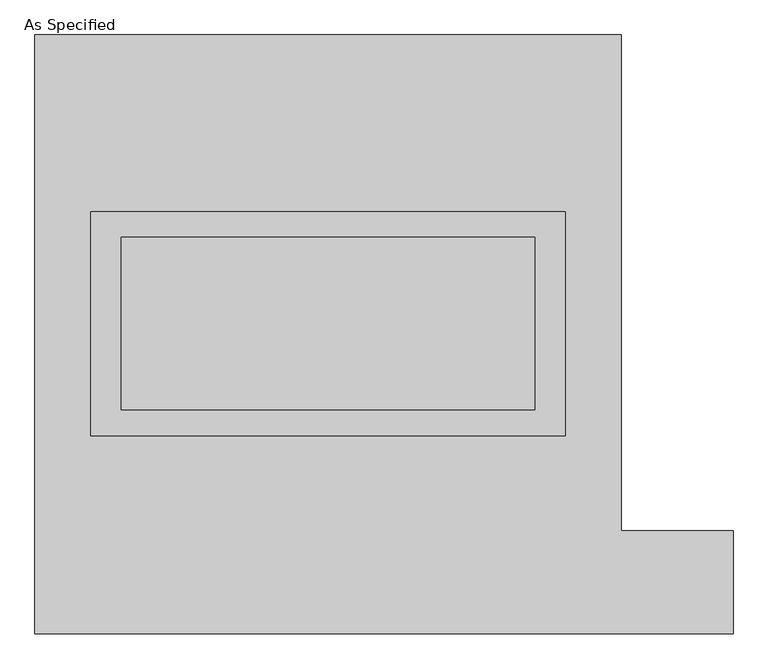
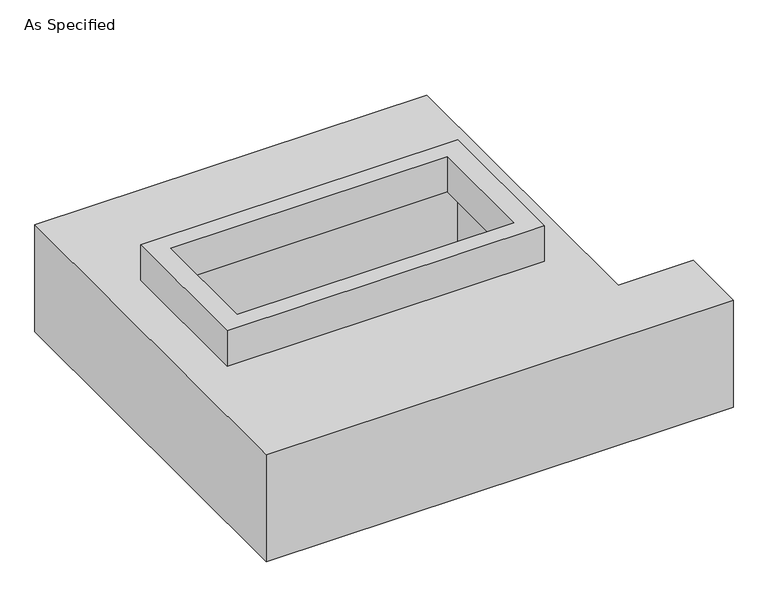
"""IFC4 building model written with IfcOpenShell, lengths in millimetres: proxy geometry, As Specified."""

from ifc_helpers import new_model, si_unit, frame, origin, place, context, project, spatial, polyline, outline, extrude, faceted_brep, source, transform, mapped, element, save


def as_specified_32f3673d(model_context):
    return source(origin(), model_context, "Body", "SolidModel", [
        extrude(outline(polyline([(698.5, 361.95), (698.5, -298.45), (-698.5, -298.45), (-698.5, 361.95), (698.5, 361.95)]), holes=[polyline([(609.6, 285.75), (-609.6, 285.75), (-609.6, -222.25), (609.6, -222.25), (609.6, 285.75)])]), frame((0.0, 0.0, -25.4), z_axis=(0.0, 0.0, 1.0), x_axis=(1.0, 0.0, 0.0)), (0.0, 0.0, 1.0), 165.1),
        faceted_brep([(-863.6, 882.65, -523.875), (863.6, 882.65, -523.875), (863.6, -577.85, -523.875), (1193.8, -577.85, -523.875), (1193.8, -882.65, -523.875), (-863.6, -882.65, -523.875), (863.6, 882.65, -25.4), (-863.6, 882.65, -25.4), (-863.6, -882.65, -25.4), (1193.8, -882.65, -25.4), (1193.8, -577.85, -25.4), (863.6, -577.85, -25.4), (-698.5, -298.45, -25.4), (-698.5, 361.95, -25.4), (698.5, 361.95, -25.4), (698.5, -298.45, -25.4), (698.5, 361.95, -498.475), (-698.5, 361.95, -498.475), (-698.5, -298.45, -498.475), (698.5, -298.45, -498.475)], [[[0, 1, 2, 3, 4, 5]], [[6, 7, 8, 9, 10, 11], [12, 13, 14, 15]], [[1, 0, 7, 6]], [[7, 0, 5, 8]], [[1, 6, 11, 2]], [[16, 17, 18, 19]], [[18, 17, 13, 12]], [[17, 16, 14, 13]], [[16, 19, 15, 14]], [[19, 18, 12, 15]], [[5, 4, 9, 8]], [[3, 2, 11, 10]], [[4, 3, 10, 9]]]),
    ])


if __name__ == "__main__":
    model = new_model("IFC4")
    model_context = context("Model", 3, world=origin())
    ifc_project = project(units=[si_unit("LENGTHUNIT", "METRE", prefix="MILLI")], contexts=[model_context])
    site = spatial("IfcSite", under=ifc_project)
    building = spatial("IfcBuilding", under=site)
    placement = place(None, origin())
    as_specified_shape = as_specified_32f3673d(model_context)
    element("IfcBuildingElementProxy", 1, Name="As Specified", ObjectType="As Specified", at=placement, inside=building, context=model_context, shape_type="MappedRepresentation", body=[
        mapped(as_specified_shape, transform((0.0, 0.0, 0.0), x_axis=(1.0, 0.0, 0.0), y_axis=(0.0, 1.0, 0.0), z_axis=(0.0, 0.0, 1.0))),
    ])
    save(model, "model.ifc")
